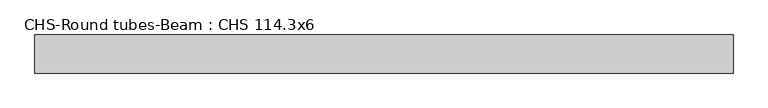
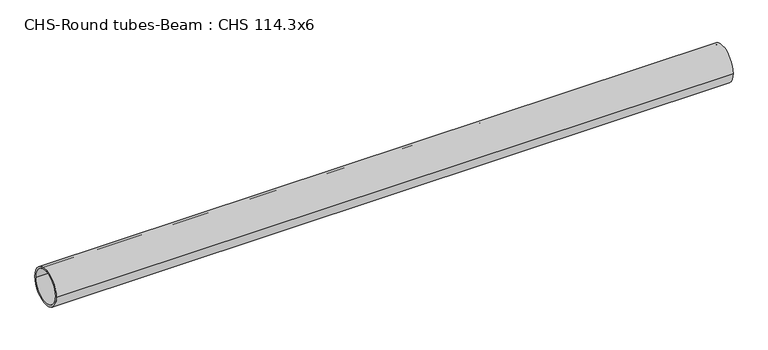
"""IFC4 building model written with IfcOpenShell, lengths in millimetres: beam geometry, CHS-Round tubes-Beam : CHS 114.3x6."""

from ifc_helpers import new_model, si_unit, point, frame, origin, origin_2d, place, context, project, spatial, circle_curve, trimmed, segment, composite_curve, outline, extrude, source, transform, mapped, element, save


def chs_round_tubes_beam_chs_114_3x6_99d8906c(model_context):
    return source(origin(), model_context, "Body", "SweptSolid", [
        extrude(outline(composite_curve([segment(trimmed(circle_curve(origin_2d(), 57.15), [point((57.15, 0.0))], [point((-57.15, 0.0))], False, "CARTESIAN"), True, "CONTINUOUS"), segment(trimmed(circle_curve(origin_2d(), 57.15), [point((-57.15, 0.0))], [point((57.15, 0.0))], False, "CARTESIAN"), True, "CONTINUOUS")], self_intersect=False), holes=[composite_curve([segment(trimmed(circle_curve(origin_2d(), 51.15), [point((51.15, 0.0))], [point((-51.15, 0.0))], True, "CARTESIAN"), True, "CONTINUOUS"), segment(trimmed(circle_curve(origin_2d(), 51.15), [point((-51.15, 0.0))], [point((51.15, 0.0))], True, "CARTESIAN"), True, "CONTINUOUS")], self_intersect=False)]), frame((-1021.1875275, 0.0, 0.0), z_axis=(1.0, 0.0, 0.0), x_axis=(0.0, 1.0, 0.0)), (0.0, 0.0, 1.0), 2093.509243),
    ])


if __name__ == "__main__":
    model = new_model("IFC4")
    model_context = context("Model", 3, world=origin())
    ifc_project = project(units=[si_unit("LENGTHUNIT", "METRE", prefix="MILLI")], contexts=[model_context])
    site = spatial("IfcSite", under=ifc_project)
    building = spatial("IfcBuilding", under=site)
    placement = place(None, origin())
    chs_round_tubes_beam_chs_114_3x6_shape = chs_round_tubes_beam_chs_114_3x6_99d8906c(model_context)
    element("IfcBeam", 1, ObjectType="CHS-Round tubes-Beam : CHS 114.3x6", at=placement, inside=building, context=model_context, shape_type="MappedRepresentation", body=[
        mapped(chs_round_tubes_beam_chs_114_3x6_shape, transform((0.0, 0.0, 0.0), x_axis=(1.0, 0.0, 0.0), y_axis=(0.0, 1.0, 0.0), z_axis=(0.0, 0.0, 1.0))),
    ])
    save(model, "model.ifc")
